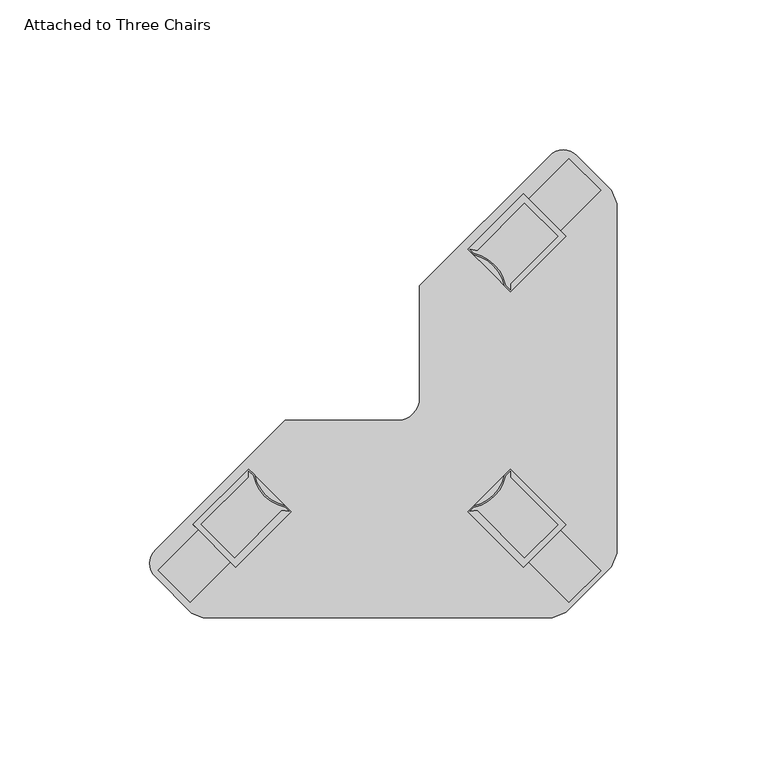
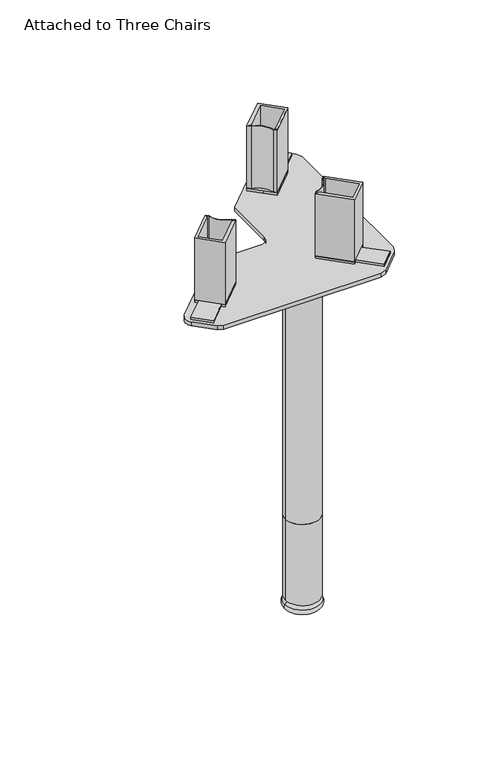
"""IFC4 building model written with IfcOpenShell, lengths in millimetres: furniture geometry, Attached to Three Chairs."""

import ifcopenshell
import ifcopenshell.guid

model = None  # the IFC model being written
_history = None  # IfcOwnerHistory: only IFC2X3 demands one
_inside = {}  # id of a spatial element -> (the spatial element, [elements in it])
_under = {}  # id of a project, library or spatial element -> (it, [spatial elements below it])
_declared = {}  # id of a project -> (the project, [libraries it declares])
_typed = {}  # id of a type object -> (the type object, [elements of that type])
_made_of = {}  # id of a material, layer set ... -> (it, [elements and type objects made of it])


def new_model(schema):
    """Start an empty IFC model of exactly this schema.

    Asked for "IFC4X3", IfcOpenShell would pick the latest addendum, in which some entities
    have other attributes; the version numbers below select the first issue.
    IFC2X3 requires an IfcOwnerHistory on every rooted entity: one is made here for all.
    """
    global model, _history
    if schema == "IFC4X3":
        model = ifcopenshell.file(schema_version=(4, 3, 0, 0))
    else:
        model = ifcopenshell.file(schema=schema)
    _inside.clear()
    _under.clear()
    _declared.clear()
    _typed.clear()
    _made_of.clear()
    _history = None
    if model.schema == "IFC2X3":
        org = make("IfcOrganization", Name="unknown")
        user = make(
            "IfcPersonAndOrganization",
            ThePerson=make("IfcPerson", FamilyName="unknown"),
            TheOrganization=org,
        )
        app = make(
            "IfcApplication",
            ApplicationDeveloper=org,
            Version="unknown",
            ApplicationFullName="unknown",
            ApplicationIdentifier="unknown",
        )
        _history = make(
            "IfcOwnerHistory",
            OwningUser=user,
            OwningApplication=app,
            ChangeAction="ADDED",
            CreationDate=0,
        )
    return model


def make(cls, **values):
    """One entity of the class cls with the attributes given. An attribute that is None is left unset."""
    return model.create_entity(
        cls, **{name: value for name, value in values.items() if value is not None}
    )


def rooted(cls, **values):
    """An entity with a GlobalId (a new one), such as an element, a storey or a relation."""
    return make(cls, GlobalId=ifcopenshell.guid.new(), OwnerHistory=_history, **values)


def si_unit(unit_type, name, prefix=None):
    """IfcSIUnit, for example si_unit("LENGTHUNIT", "METRE", prefix="MILLI")."""
    return make("IfcSIUnit", UnitType=unit_type, Prefix=prefix, Name=name)


def assignment(units):
    """IfcUnitAssignment: the units of a project."""
    return None if units is None else make("IfcUnitAssignment", Units=units)


def point(xyz):
    """IfcCartesianPoint."""
    return None if xyz is None else make("IfcCartesianPoint", Coordinates=xyz)


def direction(xyz):
    """IfcDirection."""
    return None if xyz is None else make("IfcDirection", DirectionRatios=xyz)


def frame(location, z_axis=None, x_axis=None):
    """IfcAxis2Placement3D, a coordinate frame: its origin and axes. An axis left out is left unset."""
    return make(
        "IfcAxis2Placement3D",
        Location=point(location),
        Axis=direction(z_axis),
        RefDirection=direction(x_axis),
    )


def frame_2d(location, x_axis=None):
    """IfcAxis2Placement2D, a coordinate frame in the plane: its origin and x axis."""
    return make(
        "IfcAxis2Placement2D", Location=point(location), RefDirection=direction(x_axis)
    )


def origin():
    """The frame at (0, 0, 0) with its axes left unset."""
    return frame((0.0, 0.0, 0.0))


def place(relative_to, where):
    """IfcLocalPlacement: puts the frame where relative to a parent placement (None: the world)."""
    return make(
        "IfcLocalPlacement", PlacementRelTo=relative_to, RelativePlacement=where
    )


def context(
    kind, dimensions, precision=None, world=None, true_north=None, identifier=None
):
    """IfcGeometricRepresentationContext, for example the 3D "Model" context."""
    return make(
        "IfcGeometricRepresentationContext",
        ContextIdentifier=identifier,
        ContextType=kind,
        CoordinateSpaceDimension=dimensions,
        Precision=precision,
        WorldCoordinateSystem=world,
        TrueNorth=true_north,
    )


def project(units=None, contexts=None):
    """IfcProject with its units and contexts."""
    return rooted(
        "IfcProject",
        Name="project",
        RepresentationContexts=contexts,
        UnitsInContext=assignment(units),
    )


def spatial(cls, under=None, at=None, **own):
    """A site, building, storey or space (cls), placed at a placement, below another one or the project."""
    s = rooted(cls, ObjectPlacement=at, **own)
    if under is not None:
        _under.setdefault(under.id(), (under, []))[1].append(s)
    return s


def polyline(points):
    """IfcPolyline through the points."""
    return make("IfcPolyline", Points=[point(p) for p in points])


def circle_curve(where, radius):
    """IfcCircle in the frame where."""
    return make("IfcCircle", Position=where, Radius=radius)


def ellipse_curve(where, semi_axis1, semi_axis2):
    """IfcEllipse in the frame where."""
    return make(
        "IfcEllipse", Position=where, SemiAxis1=semi_axis1, SemiAxis2=semi_axis2
    )


def trimmed(basis, trim1, trim2, sense, master):
    """IfcTrimmedCurve: the piece of a basis curve between two trims."""
    return make(
        "IfcTrimmedCurve",
        BasisCurve=basis,
        Trim1=trim1,
        Trim2=trim2,
        SenseAgreement=sense,
        MasterRepresentation=master,
    )


def segment(curve, same_sense, transition):
    """IfcCompositeCurveSegment."""
    return make(
        "IfcCompositeCurveSegment",
        Transition=transition,
        SameSense=same_sense,
        ParentCurve=curve,
    )


def composite_curve(segments, self_intersect=None):
    """IfcCompositeCurve: segments joined end to end."""
    return make("IfcCompositeCurve", Segments=segments, SelfIntersect=self_intersect)


def outline(outer, holes=None, kind="AREA"):
    """IfcArbitraryClosedProfileDef: a profile drawn as a closed curve; with holes, ...WithVoids."""
    if holes is None:
        return make("IfcArbitraryClosedProfileDef", ProfileType=kind, OuterCurve=outer)
    return make(
        "IfcArbitraryProfileDefWithVoids",
        ProfileType=kind,
        OuterCurve=outer,
        InnerCurves=holes,
    )


def extrude(swept, where, along, depth):
    """IfcExtrudedAreaSolid: the profile swept, set in the frame where, extruded along a direction by depth."""
    return make(
        "IfcExtrudedAreaSolid",
        SweptArea=swept,
        Position=where,
        ExtrudedDirection=direction(along),
        Depth=depth,
    )


def faces_of(points, faces, orient=None, outer=None):
    """IfcFace entities. A face is a list of loops; a loop is a list of indices into points, from 0.

    orient and outer hold one flag for each loop. By default every Orientation is true, the
    first loop of a face is its IfcFaceOuterBound and the others are IfcFaceBound.
    """
    made = []
    for i, loops in enumerate(faces):
        bounds = []
        for j, loop in enumerate(loops):
            is_outer = j == 0 if outer is None else outer[i][j]
            bounds.append(
                make(
                    "IfcFaceOuterBound" if is_outer else "IfcFaceBound",
                    Bound=make("IfcPolyLoop", Polygon=[points[k] for k in loop]),
                    Orientation=True if orient is None else orient[i][j],
                )
            )
        made.append(make("IfcFace", Bounds=bounds))
    return made


def faceted_brep(points, faces, orient=None, outer=None, voids=None):
    """IfcFacetedBrep: a solid bounded by flat faces; with voids (closed shells), ...WithVoids."""
    shared = [point(p) for p in points]
    hull = make("IfcClosedShell", CfsFaces=faces_of(shared, faces, orient, outer))
    if voids is None:
        return make("IfcFacetedBrep", Outer=hull)
    return make(
        "IfcFacetedBrepWithVoids",
        Outer=hull,
        Voids=[
            make(cls, CfsFaces=faces_of(shared, fs, o, b)) for cls, fs, o, b in voids
        ],
    )


def shape(context_of_items, identifier, shape_type, items):
    """IfcShapeRepresentation: the items that make up one representation, for example the "Body"."""
    return make(
        "IfcShapeRepresentation",
        ContextOfItems=context_of_items,
        RepresentationIdentifier=identifier,
        RepresentationType=shape_type,
        Items=items,
    )


def source(mapping_origin, context_of_items, identifier, shape_type, items):
    """IfcRepresentationMap: a shape defined once, which mapped items show again and again."""
    return make(
        "IfcRepresentationMap",
        MappingOrigin=mapping_origin,
        MappedRepresentation=shape(context_of_items, identifier, shape_type, items),
    )


def transform(
    local_origin,
    x_axis=None,
    y_axis=None,
    z_axis=None,
    scale=None,
    scale2=None,
    scale3=None,
    uniform=True,
):
    """IfcCartesianTransformationOperator3D, or its non-uniform kind. x_axis, y_axis, z_axis: its Axis1, 2, 3."""
    if uniform:
        return make(
            "IfcCartesianTransformationOperator3D",
            Axis1=direction(x_axis),
            Axis2=direction(y_axis),
            LocalOrigin=point(local_origin),
            Scale=scale,
            Axis3=direction(z_axis),
        )
    return make(
        "IfcCartesianTransformationOperator3DnonUniform",
        Axis1=direction(x_axis),
        Axis2=direction(y_axis),
        LocalOrigin=point(local_origin),
        Scale=scale,
        Axis3=direction(z_axis),
        Scale2=scale2,
        Scale3=scale3,
    )


def mapped(mapping_source, mapping_target):
    """IfcMappedItem: shows the shape of a source again, moved by a transform."""
    return make(
        "IfcMappedItem", MappingSource=mapping_source, MappingTarget=mapping_target
    )


def made_of(thing, what):
    """Note that an element or type object is made of a material, layer set ...; save() writes the relation."""
    if what is not None:
        _made_of.setdefault(what.id(), (what, []))[1].append(thing)
    return thing


def element(
    cls,
    number,
    at=None,
    inside=None,
    cuts=None,
    type_object=None,
    material=None,
    context=None,
    identifier="Body",
    shape_type=None,
    held_by="IfcProductDefinitionShape",
    body=None,
    shapes=None,
    **own,
):
    """One element of the class cls, such as IfcWall. Its Tag is "e" and its number.

    at: its placement. inside: the storey or other place that contains it. cuts: it is an
    opening in that element (IfcRelVoidsElement). A single representation is given by context,
    identifier, shape_type and body (its items); several are given by shapes. held_by: the class
    of the entity that holds the representations. save() writes the other relations.
    """
    e = rooted(cls, Tag="e%d" % number, ObjectPlacement=at, **own)
    if body is not None:
        shapes = [shape(context, identifier, shape_type, body)]
    if shapes is not None:
        e.Representation = make(held_by, Representations=shapes)
    if inside is not None:
        _inside.setdefault(inside.id(), (inside, []))[1].append(e)
    if cuts is not None:
        rooted(
            "IfcRelVoidsElement", RelatingBuildingElement=cuts, RelatedOpeningElement=e
        )
    if type_object is not None:
        _typed.setdefault(type_object.id(), (type_object, []))[1].append(e)
    return made_of(e, material)


def aggregate(whole, parts):
    """IfcRelAggregates: a whole, such as a stair, and the parts it consists of."""
    return rooted("IfcRelAggregates", RelatingObject=whole, RelatedObjects=parts)


def save(model, path):
    """Write the relations noted so far, then the file.

    IfcRelAggregates (storeys below a building ...), IfcRelContainedInSpatialStructure (elements
    in a storey), IfcRelDefinesByType, IfcRelAssociatesMaterial and IfcRelDeclares: one each for
    every whole, place, type object, material and project.
    """
    for whole, parts in _under.values():
        aggregate(whole, parts)
    for where, things in _inside.values():
        rooted(
            "IfcRelContainedInSpatialStructure",
            RelatedElements=things,
            RelatingStructure=where,
        )
    for kind, things in _typed.values():
        rooted("IfcRelDefinesByType", RelatedObjects=things, RelatingType=kind)
    for what, things in _made_of.values():
        rooted("IfcRelAssociatesMaterial", RelatedObjects=things, RelatingMaterial=what)
    for by, libraries in _declared.values():
        rooted("IfcRelDeclares", RelatingContext=by, RelatedDefinitions=libraries)
    model.write(path)


def plane_surface(at):
    """IfcPlane: the flat surface through the origin of the frame at, square to its z axis."""
    return make("IfcPlane", Position=at)


def cylinder_surface(at, radius):
    """IfcCylindricalSurface: all points at the distance radius from the z axis of the frame at."""
    return make("IfcCylindricalSurface", Position=at, Radius=radius)


def revolved_surface(curve, axis_point, axis_direction):
    """IfcSurfaceOfRevolution: the curve turned about the line through axis_point along axis_direction."""
    return make(
        "IfcSurfaceOfRevolution",
        SweptCurve=make("IfcArbitraryOpenProfileDef", ProfileType="CURVE", Curve=curve),
        AxisPosition=make("IfcAxis1Placement", Location=point(axis_point), Axis=direction(axis_direction)),
    )


def advanced_brep(points, edges, surfaces, faces):
    """IfcAdvancedBrep: a solid bounded by faces that lie on surfaces and meet in shared edges.

    An edge is (start, end): straight between two places in points (the first is 0);
    or (start, end, curve); or (start, end, curve, False) where it runs against its curve.
    A face is (place in surfaces, loops), or (place, loops, False) where it looks against
    its surface's normal. A loop lists edges by number (the first is 1), with a minus sign
    where the edge is run from its end to its start. The first loop is the outer one.
    """
    corners = [point(p) for p in points]
    vertices = [make("IfcVertexPoint", VertexGeometry=c) for c in corners]
    made = []
    for start, end, *more in edges:
        made.append(
            make(
                "IfcEdgeCurve",
                EdgeStart=vertices[start],
                EdgeEnd=vertices[end],
                EdgeGeometry=more[0] if more else make("IfcPolyline", Points=[corners[start], corners[end]]),
                SameSense=more[1] if len(more) > 1 else True,
            )
        )
    hull = []
    for where, loops, *sense in faces:
        bounds = []
        for j, loop in enumerate(loops):
            ring = [make("IfcOrientedEdge", EdgeElement=made[abs(k) - 1], Orientation=k > 0) for k in loop]
            bounds.append(
                make(
                    "IfcFaceOuterBound" if j == 0 else "IfcFaceBound",
                    Bound=make("IfcEdgeLoop", EdgeList=ring),
                    Orientation=True,
                )
            )
        hull.append(make("IfcAdvancedFace", Bounds=bounds, FaceSurface=surfaces[where], SameSense=sense[0] if sense else True))
    return make("IfcAdvancedBrep", Outer=make("IfcClosedShell", CfsFaces=hull))


def attached_to_three_chairs_838b1901(model_context):
    return source(origin(), model_context, "Body", "SolidModel", [
        faceted_brep([(62.0864808, 48.0944836, 281.1780044), (60.2904285, 49.8905358, 281.1780044), (73.7608136, 63.3609209, 281.1780044), (63.164113, 73.9576215, 281.1780044), (49.6685705, 60.462079, 281.1780044), (47.8725182, 62.2581312, 281.1780044), (29.4163092, 43.8019222, 281.1780044), (37.03812, 36.1801037, 281.1780044), (43.6051143, 29.6131171, 281.1780044), (62.0864808, 48.0944836, 279.2729971), (43.6051143, 29.6131171, 279.2729971), (37.0381205, 36.1801042, 279.2729971), (29.4163092, 43.8019222, 279.2729971), (47.8725182, 62.2581312, 279.2729971), (49.6685705, 60.462079, 279.2729971), (63.164113, 73.9576215, 279.2729971), (73.7608136, 63.3609209, 279.2729971), (60.2904285, 49.8905358, 279.2729971)], [[[0, 1, 2, 3, 4, 5, 6, 7, 8]], [[9, 10, 11, 12, 13, 14, 15, 16, 17]], [[1, 0, 9, 17]], [[2, 1, 17, 16]], [[3, 2, 16, 15]], [[4, 3, 15, 14]], [[5, 4, 14, 13]], [[6, 5, 13, 12]], [[7, 6, 12, 11]], [[8, 7, 11, 10]], [[0, 8, 10, 9]]]),
        extrude(outline(composite_curve([segment(polyline([(62.0613233, 48.0693261), (43.6051143, 29.6131171), (41.6724398, 31.5457916)]), True, "CONTINUOUS"), segment(trimmed(circle_curve(frame_2d((28.4217728, 28.6074976)), 13.5725365), [point((41.6724398, 31.5457916))], [point((31.3600668, 41.8581646))], True, "CARTESIAN"), True, "CONTINUOUS"), segment(polyline([(31.3600668, 41.8581646), (29.4163092, 43.8019222), (47.8725182, 62.2581312), (62.0613233, 48.0693261)]), True, "CONTINUOUS")], self_intersect=False), holes=[composite_curve([segment(polyline([(43.6001682, 32.3022471), (59.3672449, 48.0693239), (48.3215279, 59.1150409), (32.5246315, 43.3181399), (30.1339292, 43.6902311), (31.4700428, 42.3541175)]), True, "CONTINUOUS"), segment(trimmed(circle_curve(frame_2d((28.4217728, 28.6074976)), 14.0805365), [point((31.4700428, 42.3541175))], [point((42.1544943, 31.7177822))], False, "CARTESIAN"), True, "CONTINUOUS"), segment(polyline([(42.1544943, 31.7177822), (43.6039091, 30.2683674), (43.6001682, 32.3022471)]), True, "CONTINUOUS")], self_intersect=False)]), frame((0.0, 0.0, 281.1780044), z_axis=(0.0, 0.0, 1.0), x_axis=(1.0, 0.0, 0.0)), (0.0, 0.0, 1.0), 48.8949806),
        extrude(outline(composite_curve([segment(polyline([(57.6107095, -79.158722), (-58.8844735, -79.158722), (-62.7832542, -77.5437959), (-74.826773, -65.5002811)]), True, "CONTINUOUS"), segment(trimmed(circle_curve(frame_2d((-70.3366457, -61.0101523)), 6.35), [point((-74.826773, -65.5002811))], [point((-74.8267739, -56.5200243))], False, "CARTESIAN"), True, "CONTINUOUS"), segment(polyline([(-74.8267739, -56.5200243), (-31.6286711, -13.3219203), (5.8716138, -13.3219203)]), True, "CONTINUOUS"), segment(trimmed(circle_curve(frame_2d((5.8716138, -5.8603704)), 7.4615499), [point((5.8716138, -13.3219203))], [point((13.3331637, -5.8603704))], True, "CARTESIAN"), True, "CONTINUOUS"), segment(polyline([(13.3331637, -5.8603704), (13.3331637, 31.5976648), (56.7255894, 74.9900905)]), True, "CONTINUOUS"), segment(trimmed(circle_curve(frame_2d((61.2157175, 70.4999624)), 6.35), [point((56.7255894, 74.9900905))], [point((65.7058464, 74.9900896))], False, "CARTESIAN"), True, "CONTINUOUS"), segment(polyline([(65.7058464, 74.9900896), (77.3100885, 63.385843), (79.1699677, 58.8957147), (79.1699677, -57.5994638), (77.3100885, -62.0895922), (62.1008379, -77.2988519), (57.6107095, -79.158722)]), True, "CONTINUOUS")], self_intersect=False)), frame((0.0, 0.0, 276.3598028), z_axis=(0.0, 0.0, 1.0), x_axis=(1.0, 0.0, 0.0)), (0.0, 0.0, 1.0), 2.9131943),
        advanced_brep(
        [(41.3075715, -28.5534244, 276.2746745), (15.907573, -28.5534244, 276.2746745), (28.6075722, -28.5534244, 276.2746745), (41.3075715, -28.5534244, 70.9421996), (15.907573, -28.5534244, 70.9421996), (28.6075722, -28.5534244, 70.9421996)],
        [
            (0, 1, circle_curve(frame((28.6075722, -28.5534244, 276.2746745), z_axis=(0.0, 0.0, 1.0), x_axis=(-1.0, 0.0, 0.0)), 12.6999992)),
            (1, 2),
            (2, 0),
            (1, 0, circle_curve(frame((28.6075722, -28.5534244, 276.2746745), z_axis=(0.0, 0.0, 1.0), x_axis=(-1.0, 0.0, 0.0)), 12.6999992)),
            (3, 4, circle_curve(frame((28.6075722, -28.5534244, 70.9421996), z_axis=(0.0, 0.0, 1.0), x_axis=(-1.0, 0.0, 0.0)), 12.6999992)),
            (4, 1),
            (0, 3),
            (4, 3, circle_curve(frame((28.6075722, -28.5534244, 70.9421996), z_axis=(0.0, 0.0, 1.0), x_axis=(-1.0, 0.0, 0.0)), 12.6999992)),
            (5, 4),
            (3, 5),
        ],
        [
            plane_surface(frame((28.6075722, -28.5534244, 276.2746745), z_axis=(0.0, 0.0, 1.0), x_axis=(-1.0, 0.0, 0.0))),
            cylinder_surface(frame((28.6075722, -28.5534244, 70.9421996), z_axis=(0.0, 0.0, -1.0), x_axis=(-1.0, 0.0, 0.0)), 12.6999992),
            plane_surface(frame((28.6075722, -28.5534244, 70.9421996), z_axis=(0.0, 0.0, -1.0), x_axis=(-1.0, 0.0, 0.0))),
        ],
        [
            (0, [[1, 2, 3]]),
            (0, [[4, -3, -2]]),
            (1, [[5, 6, -1, 7]]),
            (1, [[8, -7, -4, -6]]),
            (2, [[9, -5, 10]]),
            (2, [[-10, -8, -9]]),
        ],
    ),
        advanced_brep(
        [(41.3075715, -28.5534244, 70.9421996), (15.907573, -28.5534244, 70.9421996), (28.6075722, -28.5534244, 70.9421996), (41.3075715, -28.5534244, 7.4421999), (15.907573, -28.5534244, 7.4421999), (38.4312618, -28.5534244, 7.4421999), (18.7838827, -28.5534244, 7.4421999), (41.6348544, -28.5534244, 4.1308705), (15.5802901, -28.5534244, 4.1308705), (39.8836408, -28.5534244, 0.0), (17.3315036, -28.5534244, 0.0), (28.6075722, -28.5534244, 0.0)],
        [
            (0, 1, circle_curve(frame((28.6075722, -28.5534244, 70.9421996), z_axis=(0.0, 0.0, 1.0), x_axis=(-1.0, 0.0, 0.0)), 12.6999992)),
            (1, 2),
            (2, 0),
            (1, 0, circle_curve(frame((28.6075722, -28.5534244, 70.9421996), z_axis=(0.0, 0.0, 1.0), x_axis=(-1.0, 0.0, 0.0)), 12.6999992)),
            (3, 4, circle_curve(frame((28.6075722, -28.5534244, 7.4421999), z_axis=(0.0, 0.0, 1.0), x_axis=(-1.0, 0.0, 0.0)), 12.6999992)),
            (4, 1),
            (0, 3),
            (4, 3, circle_curve(frame((28.6075722, -28.5534244, 7.4421999), z_axis=(0.0, 0.0, 1.0), x_axis=(-1.0, 0.0, 0.0)), 12.6999992)),
            (5, 6, circle_curve(frame((28.6075722, -28.5534244, 7.4421999), z_axis=(0.0, 0.0, 1.0), x_axis=(-1.0, 0.0, 0.0)), 9.8236895)),
            (6, 4),
            (3, 5),
            (6, 5, circle_curve(frame((28.6075722, -28.5534244, 7.4421999), z_axis=(0.0, 0.0, 1.0), x_axis=(-1.0, 0.0, 0.0)), 9.8236895)),
            (7, 8, circle_curve(frame((28.6075722, -28.5534244, 4.1308705), z_axis=(0.0, 0.0, 1.0), x_axis=(-1.0, 0.0, 0.0)), 13.0272821)),
            (8, 6),
            (5, 7),
            (8, 7, circle_curve(frame((28.6075722, -28.5534244, 4.1308705), z_axis=(0.0, 0.0, 1.0), x_axis=(-1.0, 0.0, 0.0)), 13.0272821)),
            (9, 10, circle_curve(frame((28.6075722, -28.5534244, 0.0), z_axis=(0.0, 0.0, 1.0), x_axis=(-1.0, 0.0, 0.0)), 11.2760686)),
            (10, 8, circle_curve(frame((17.3315036, -28.5534244, 2.4366341), z_axis=(0.0, 1.0, 0.0), x_axis=(1.0, 0.0, 0.0)), 2.4366341)),
            (7, 9, circle_curve(frame((39.8836408, -28.5534244, 2.4366341), z_axis=(0.0, 1.0, 0.0), x_axis=(-1.0, 0.0, 0.0)), 2.4366341)),
            (10, 9, circle_curve(frame((28.6075722, -28.5534244, 0.0), z_axis=(0.0, 0.0, 1.0), x_axis=(-1.0, 0.0, 0.0)), 11.2760686)),
            (11, 10),
            (9, 11),
        ],
        [
            plane_surface(frame((28.6075722, -28.5534244, 70.9421996), z_axis=(0.0, 0.0, 1.0), x_axis=(-1.0, 0.0, 0.0))),
            cylinder_surface(frame((28.6075722, -28.5534244, 70.9421996), z_axis=(0.0, 0.0, -1.0), x_axis=(-1.0, 0.0, 0.0)), 12.6999992),
            plane_surface(frame((28.6075722, -28.5534244, 7.4421999), z_axis=(0.0, 0.0, -1.0), x_axis=(-1.0, 0.0, 0.0))),
            revolved_surface(polyline([(18.7838827, -28.5534244, 7.4421999), (15.5802901, -28.5534244, 4.1308705)]), (28.6075722, -28.5534244, 70.9421996), (0.0, 0.0, -1.0)),
            revolved_surface(trimmed(ellipse_curve(frame((17.3315036, -28.5534244, 2.4366341), z_axis=(0.0, -1.0, 0.0), x_axis=(1.0, 0.0, 0.0)), 2.4366341, 2.4366341), [point((15.5802901, -28.5534244, 4.1308705))], [point((17.3315036, -28.5534244, 0.0))], True, "CARTESIAN"), (28.6075722, -28.5534244, 70.9421996), (0.0, 0.0, -1.0)),
            plane_surface(frame((28.6075722, -28.5534244, 0.0), z_axis=(0.0, 0.0, -1.0), x_axis=(-1.0, 0.0, 0.0))),
        ],
        [
            (0, [[1, 2, 3]]),
            (0, [[4, -3, -2]]),
            (1, [[5, 6, -1, 7]]),
            (1, [[8, -7, -4, -6]]),
            (2, [[9, 10, -5, 11]]),
            (2, [[12, -11, -8, -10]]),
            (3, [[13, 14, -9, 15]]),
            (3, [[16, -15, -12, -14]]),
            (4, [[17, 18, -13, 19]]),
            (4, [[20, -19, -16, -18]]),
            (5, [[21, -17, 22]]),
            (5, [[-22, -20, -21]]),
        ],
    ),
        faceted_brep([(62.0864808, -48.0944836, 281.1780044), (43.6051143, -29.6131171, 281.1780044), (37.0381205, -36.1801042, 281.1780044), (29.4163092, -43.8019222, 281.1780044), (47.8725182, -62.2581312, 281.1780044), (49.6685705, -60.462079, 281.1780044), (63.164113, -73.9576215, 281.1780044), (73.7608136, -63.3609209, 281.1780044), (60.2904285, -49.8905358, 281.1780044), (62.0864808, -48.0944836, 279.2729971), (60.2904285, -49.8905358, 279.2729971), (73.7608136, -63.3609209, 279.2729971), (63.164113, -73.9576215, 279.2729971), (49.6685705, -60.462079, 279.2729971), (47.8725182, -62.2581312, 279.2729971), (29.4163092, -43.8019222, 279.2729971), (37.03812, -36.1801037, 279.2729971), (43.6051143, -29.6131171, 279.2729971)], [[[0, 1, 2, 3, 4, 5, 6, 7, 8]], [[9, 10, 11, 12, 13, 14, 15, 16, 17]], [[0, 8, 10, 9]], [[8, 7, 11, 10]], [[7, 6, 12, 11]], [[6, 5, 13, 12]], [[5, 4, 14, 13]], [[4, 3, 15, 14]], [[3, 2, 16, 15]], [[2, 1, 17, 16]], [[1, 0, 9, 17]]]),
        extrude(outline(composite_curve([segment(polyline([(62.0613233, -48.0693261), (47.8725182, -62.2581312), (29.4163092, -43.8019222), (31.3600668, -41.8581646)]), True, "CONTINUOUS"), segment(trimmed(circle_curve(frame_2d((28.4217728, -28.6074976)), 13.5725365), [point((31.3600668, -41.8581646))], [point((41.6724398, -31.5457916))], True, "CARTESIAN"), True, "CONTINUOUS"), segment(polyline([(41.6724398, -31.5457916), (43.6051143, -29.6131171), (62.0613233, -48.0693261)]), True, "CONTINUOUS")], self_intersect=False), holes=[composite_curve([segment(polyline([(43.6001682, -32.3022471), (43.6039091, -30.2683674), (42.1544943, -31.7177822)]), True, "CONTINUOUS"), segment(trimmed(circle_curve(frame_2d((28.4217728, -28.6074976)), 14.0805365), [point((42.1544943, -31.7177822))], [point((31.4700428, -42.3541175))], False, "CARTESIAN"), True, "CONTINUOUS"), segment(polyline([(31.4700428, -42.3541175), (30.1339292, -43.6902311), (32.5246315, -43.3181399), (48.3215279, -59.1150409), (59.3672449, -48.0693239), (43.6001682, -32.3022471)]), True, "CONTINUOUS")], self_intersect=False)]), frame((0.0, 0.0, 281.1780044), z_axis=(0.0, 0.0, 1.0), x_axis=(1.0, 0.0, 0.0)), (0.0, 0.0, 1.0), 48.8949806),
        faceted_brep([(-62.2401553, -48.0513502, 281.1780044), (-60.4441031, -49.8474025, 281.1780044), (-73.9144882, -63.3177876, 281.1780044), (-63.3177876, -73.9144882, 281.1780044), (-49.8222451, -60.4189456, 281.1780044), (-48.0261928, -62.2149979, 281.1780044), (-29.5699838, -43.7587889, 281.1780044), (-37.1917946, -36.1369704, 281.1780044), (-43.7587889, -29.5699838, 281.1780044), (-62.2401553, -48.0513502, 279.2729971), (-43.7587889, -29.5699838, 279.2729971), (-37.1917951, -36.1369709, 279.2729971), (-29.5699838, -43.7587889, 279.2729971), (-48.0261928, -62.2149979, 279.2729971), (-49.8222451, -60.4189456, 279.2729971), (-63.3177876, -73.9144882, 279.2729971), (-73.9144882, -63.3177876, 279.2729971), (-60.4441031, -49.8474025, 279.2729971)], [[[0, 1, 2, 3, 4, 5, 6, 7, 8]], [[9, 10, 11, 12, 13, 14, 15, 16, 17]], [[1, 0, 9, 17]], [[2, 1, 17, 16]], [[3, 2, 16, 15]], [[4, 3, 15, 14]], [[5, 4, 14, 13]], [[6, 5, 13, 12]], [[7, 6, 12, 11]], [[8, 7, 11, 10]], [[0, 8, 10, 9]]]),
        extrude(outline(composite_curve([segment(polyline([(-62.2149979, -48.0261928), (-43.7587889, -29.5699838), (-41.8261144, -31.5026583)]), True, "CONTINUOUS"), segment(trimmed(circle_curve(frame_2d((-28.5754474, -28.5643642)), 13.5725365), [point((-41.8261144, -31.5026583))], [point((-31.5137414, -41.8150312))], True, "CARTESIAN"), True, "CONTINUOUS"), segment(polyline([(-31.5137414, -41.8150312), (-29.5699838, -43.7587889), (-48.0261928, -62.2149979), (-62.2149979, -48.0261928)]), True, "CONTINUOUS")], self_intersect=False), holes=[composite_curve([segment(polyline([(-43.7538428, -32.2591138), (-59.5209195, -48.0261905), (-48.4752025, -59.0719076), (-32.678306, -43.2750066), (-30.2876037, -43.6470978), (-31.6237174, -42.3109841)]), True, "CONTINUOUS"), segment(trimmed(circle_curve(frame_2d((-28.5754474, -28.5643642)), 14.0805365), [point((-31.6237174, -42.3109841))], [point((-42.3081688, -31.6746489))], False, "CARTESIAN"), True, "CONTINUOUS"), segment(polyline([(-42.3081688, -31.6746489), (-43.7575837, -30.225234), (-43.7538428, -32.2591138)]), True, "CONTINUOUS")], self_intersect=False)]), frame((0.0, 0.0, 281.1780044), z_axis=(0.0, 0.0, 1.0), x_axis=(1.0, 0.0, 0.0)), (0.0, 0.0, 1.0), 48.8949806),
    ])


if __name__ == "__main__":
    model = new_model("IFC4")
    model_context = context("Model", 3, world=origin())
    ifc_project = project(units=[si_unit("LENGTHUNIT", "METRE", prefix="MILLI")], contexts=[model_context])
    site = spatial("IfcSite", under=ifc_project)
    building = spatial("IfcBuilding", under=site)
    placement = place(None, origin())
    attached_to_three_chairs_shape = attached_to_three_chairs_838b1901(model_context)
    element("IfcFurniture", 1, ObjectType="Attached to Three Chairs", at=placement, inside=building, context=model_context, shape_type="MappedRepresentation", body=[
        mapped(attached_to_three_chairs_shape, transform((0.0, 0.0, 0.0), x_axis=(1.0, 0.0, 0.0), y_axis=(0.0, 1.0, 0.0), z_axis=(0.0, 0.0, 1.0))),
    ])
    save(model, "model.ifc")
